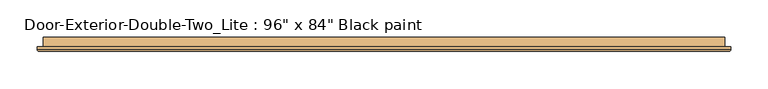
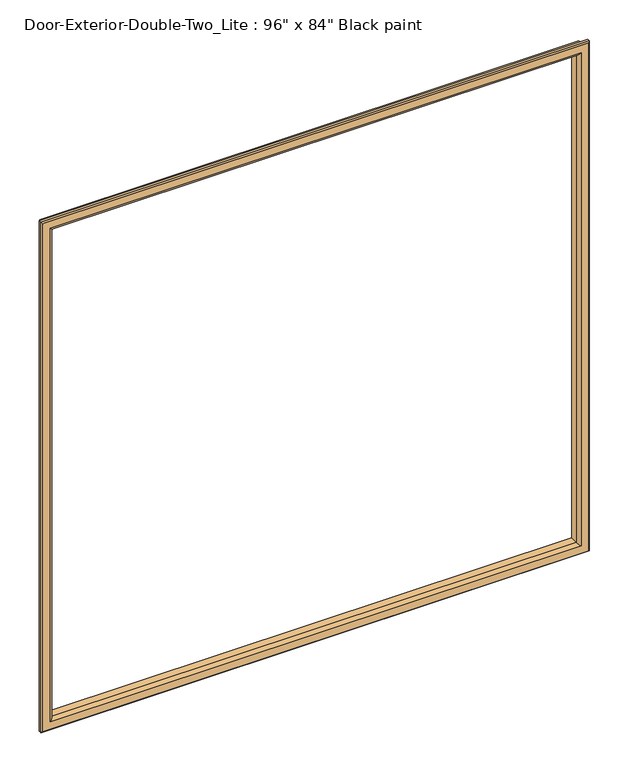
"""IFC4 building model written with IfcOpenShell, lengths in millimetres: door geometry."""

from ifc_helpers import new_model, si_unit, frame, origin, place, context, project, spatial, ellipse_curve, source, transform, mapped, element, save
from ifc_brep_helpers import plane_surface, cylinder_surface, advanced_brep


def door_80b88200(model_context):
    return source(origin(), model_context, "Body", "AdvancedBrep", [
        advanced_brep(
        [(-1066.8, 112.7125, 1117.6), (-1066.8, 100.0125, 1117.6), (-1066.8, 100.0125, 2016.125), (-1066.8, 112.7125, 2016.125), (-1054.8, 99.0125, 1129.6), (-1054.8, 112.7125, 1129.6), (-1054.8, 112.7125, 2004.125), (-1054.8, 99.0125, 2004.125), (-1059.8, 94.0125, 1124.6), (-1059.8, 94.0125, 2009.125), (-1074.8, 96.0125, 1109.6), (-1072.8, 94.0125, 1111.6), (-1072.8, 94.0125, 2022.125), (-1074.8, 96.0125, 2024.125), (-1074.8, 100.0125, 1109.6), (-1074.8, 100.0125, 2024.125), (-152.4, 100.0125, 2016.125), (-152.4, 112.7125, 2016.125), (-164.4, 112.7125, 2004.125), (-164.4, 99.0125, 2004.125), (-159.4, 94.0125, 2009.125), (-146.4, 94.0125, 2022.125), (-144.4, 96.0125, 2024.125), (-144.4, 100.0125, 2024.125), (-152.4, 100.0125, 1117.6), (-152.4, 112.7125, 1117.6), (-164.4, 112.7125, 1129.6), (-164.4, 99.0125, 1129.6), (-159.4, 94.0125, 1124.6), (-146.4, 94.0125, 1111.6), (-144.4, 96.0125, 1109.6), (-144.4, 100.0125, 1109.6)],
        [
            (0, 1),
            (1, 2),
            (2, 3),
            (3, 0),
            (4, 5),
            (5, 6),
            (6, 7),
            (7, 4),
            (8, 4, ellipse_curve(frame((-1059.8, 99.0125, 1124.6), z_axis=(-0.7071067811865475, 0.0, 0.7071067811865475), x_axis=(-0.7071067811865474, 0.0, -0.7071067811865476)), 7.0710678, 5.0)),
            (7, 9, ellipse_curve(frame((-1059.8, 99.0125, 2009.125), z_axis=(-0.7071067811865475, 0.0, -0.7071067811865475), x_axis=(0.7071067811865474, 0.0, -0.7071067811865476)), 7.0710678, 5.0)),
            (9, 8),
            (10, 11, ellipse_curve(frame((-1072.8, 96.0125, 1111.6), z_axis=(-0.7071067811865475, 0.0, 0.7071067811865475), x_axis=(-0.7071067811865474, 0.0, -0.7071067811865476)), 2.8284271, 2.0)),
            (11, 12),
            (12, 13, ellipse_curve(frame((-1072.8, 96.0125, 2022.125), z_axis=(-0.7071067811865475, 0.0, -0.7071067811865475), x_axis=(0.7071067811865474, 0.0, -0.7071067811865476)), 2.8284271, 2.0)),
            (13, 10),
            (14, 10),
            (13, 15),
            (15, 14),
            (2, 16),
            (16, 17),
            (17, 3),
            (6, 18),
            (18, 19),
            (19, 7),
            (19, 20, ellipse_curve(frame((-159.4, 99.0125, 2009.125), z_axis=(-0.7071067811865475, 0.0, 0.7071067811865475), x_axis=(-0.7071067811865476, 0.0, -0.7071067811865474)), 7.0710678, 5.0)),
            (20, 9),
            (12, 21),
            (21, 22, ellipse_curve(frame((-146.4, 96.0125, 2022.125), z_axis=(-0.7071067811865475, 0.0, 0.7071067811865475), x_axis=(-0.7071067811865476, 0.0, -0.7071067811865474)), 2.8284271, 2.0)),
            (22, 13),
            (22, 23),
            (23, 15),
            (16, 24),
            (24, 25),
            (25, 17),
            (18, 26),
            (26, 27),
            (27, 19),
            (27, 28, ellipse_curve(frame((-159.4, 99.0125, 1124.6), z_axis=(0.7071067811865475, 0.0, 0.7071067811865475), x_axis=(-0.7071067811865474, 0.0, 0.7071067811865476)), 7.0710678, 5.0)),
            (28, 20),
            (21, 29),
            (29, 30, ellipse_curve(frame((-146.4, 96.0125, 1111.6), z_axis=(0.7071067811865475, 0.0, 0.7071067811865475), x_axis=(-0.7071067811865474, 0.0, 0.7071067811865476)), 2.8284271, 2.0)),
            (30, 22),
            (30, 31),
            (31, 23),
            (31, 14),
            (1, 24),
            (0, 25),
            (5, 26),
            (4, 27),
            (8, 28),
            (11, 29),
            (10, 30),
        ],
        [
            plane_surface(frame((-1066.8, 100.0125, 1117.6), z_axis=(-1.0, 0.0, 0.0), x_axis=(0.0, 0.0, 1.0))),
            plane_surface(frame((-1054.8, 112.7125, 1129.6), z_axis=(1.0, 0.0, 0.0), x_axis=(0.0, 0.0, 1.0))),
            cylinder_surface(frame((-1059.8, 99.0125, 1117.6), z_axis=(0.0, 0.0, -1.0), x_axis=(-1.0, 0.0, 0.0)), 5.0),
            cylinder_surface(frame((-1072.8, 96.0125, 1117.6), z_axis=(0.0, 0.0, -1.0), x_axis=(-1.0, 0.0, 0.0)), 2.0),
            plane_surface(frame((-1074.8, 96.0125, 1109.6), z_axis=(-1.0, 0.0, 0.0), x_axis=(0.0, 0.0, 1.0))),
            plane_surface(frame((-1066.8, 100.0125, 2016.125), z_axis=(0.0, 0.0, 1.0), x_axis=(1.0, 0.0, 0.0))),
            plane_surface(frame((-1054.8, 112.7125, 2004.125), z_axis=(0.0, 0.0, -1.0), x_axis=(1.0, 0.0, 0.0))),
            cylinder_surface(frame((-1066.8, 99.0125, 2009.125), z_axis=(-1.0, 0.0, 0.0), x_axis=(0.0, 0.0, 1.0)), 5.0),
            cylinder_surface(frame((-1066.8, 96.0125, 2022.125), z_axis=(-1.0, 0.0, 0.0), x_axis=(0.0, 0.0, 1.0)), 2.0),
            plane_surface(frame((-1074.8, 96.0125, 2024.125), z_axis=(0.0, 0.0, 1.0), x_axis=(1.0, 0.0, 0.0))),
            plane_surface(frame((-152.4, 100.0125, 2016.125), z_axis=(1.0, 0.0, 0.0), x_axis=(0.0, 0.0, -1.0))),
            plane_surface(frame((-164.4, 112.7125, 2004.125), z_axis=(-1.0, 0.0, 0.0), x_axis=(0.0, 0.0, -1.0))),
            cylinder_surface(frame((-159.4, 99.0125, 2016.125), z_axis=(0.0, 0.0, 1.0), x_axis=(1.0, 0.0, 0.0)), 5.0),
            cylinder_surface(frame((-146.4, 96.0125, 2016.125), z_axis=(0.0, 0.0, 1.0), x_axis=(1.0, 0.0, 0.0)), 2.0),
            plane_surface(frame((-144.4, 96.0125, 2024.125), z_axis=(1.0, 0.0, 0.0), x_axis=(0.0, 0.0, -1.0))),
            plane_surface(frame((-144.4, 100.0125, 1109.6), z_axis=(0.0, 1.0, 0.0), x_axis=(-1.0, 0.0, 0.0))),
            plane_surface(frame((-152.4, 100.0125, 1117.6), z_axis=(0.0, 0.0, -1.0), x_axis=(-1.0, 0.0, 0.0))),
            plane_surface(frame((-152.4, 112.7125, 1117.6), z_axis=(0.0, 1.0, 0.0), x_axis=(-1.0, 0.0, 0.0))),
            plane_surface(frame((-164.4, 112.7125, 1129.6), z_axis=(0.0, 0.0, 1.0), x_axis=(-1.0, 0.0, 0.0))),
            cylinder_surface(frame((-152.4, 99.0125, 1124.6), z_axis=(1.0, 0.0, 0.0), x_axis=(0.0, 0.0, -1.0)), 5.0),
            plane_surface(frame((-159.4, 94.0125, 1124.6), z_axis=(0.0, -1.0, 0.0), x_axis=(-1.0, 0.0, 0.0))),
            cylinder_surface(frame((-152.4, 96.0125, 1111.6), z_axis=(1.0, 0.0, 0.0), x_axis=(0.0, 0.0, -1.0)), 2.0),
            plane_surface(frame((-144.4, 96.0125, 1109.6), z_axis=(0.0, 0.0, -1.0), x_axis=(-1.0, 0.0, 0.0))),
        ],
        [
            (0, [[1, 2, 3, 4]]),
            (1, [[5, 6, 7, 8]]),
            (2, [[9, -8, 10, 11]]),
            (3, [[12, 13, 14, 15]]),
            (4, [[16, -15, 17, 18]]),
            (5, [[-3, 19, 20, 21]]),
            (6, [[-7, 22, 23, 24]]),
            (7, [[-10, -24, 25, 26]]),
            (8, [[-14, 27, 28, 29]]),
            (9, [[-17, -29, 30, 31]]),
            (10, [[-20, 32, 33, 34]]),
            (11, [[-23, 35, 36, 37]]),
            (12, [[-25, -37, 38, 39]]),
            (13, [[-28, 40, 41, 42]]),
            (14, [[-30, -42, 43, 44]]),
            (15, [[-31, -44, 45, -18], [46, -32, -19, -2]]),
            (16, [[-33, -46, -1, 47]]),
            (17, [[-21, -34, -47, -4], [48, -35, -22, -6]]),
            (18, [[-36, -48, -5, 49]]),
            (19, [[-38, -49, -9, 50]]),
            (20, [[51, -40, -27, -13], [-26, -39, -50, -11]]),
            (21, [[-41, -51, -12, 52]]),
            (22, [[-43, -52, -16, -45]]),
        ],
    ),
    ])


if __name__ == "__main__":
    model = new_model("IFC4")
    model_context = context("Model", 3, world=origin())
    ifc_project = project(units=[si_unit("LENGTHUNIT", "METRE", prefix="MILLI")], contexts=[model_context])
    site = spatial("IfcSite", under=ifc_project)
    building = spatial("IfcBuilding", under=site)
    placement = place(None, origin())
    door_shape = door_80b88200(model_context)
    element("IfcDoor", 1, ObjectType="Door-Exterior-Double-Two_Lite : 96\" x 84\" Black paint", at=placement, inside=building, context=model_context, shape_type="MappedRepresentation", body=[
        mapped(door_shape, transform((0.0, 0.0, 0.0), x_axis=(1.0, 0.0, 0.0), y_axis=(0.0, 1.0, 0.0), z_axis=(0.0, 0.0, 1.0))),
    ])
    save(model, "model.ifc")
